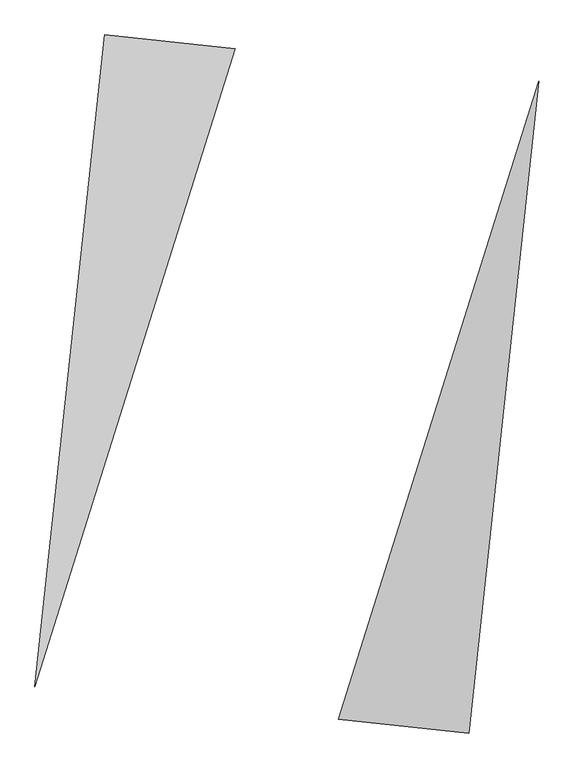
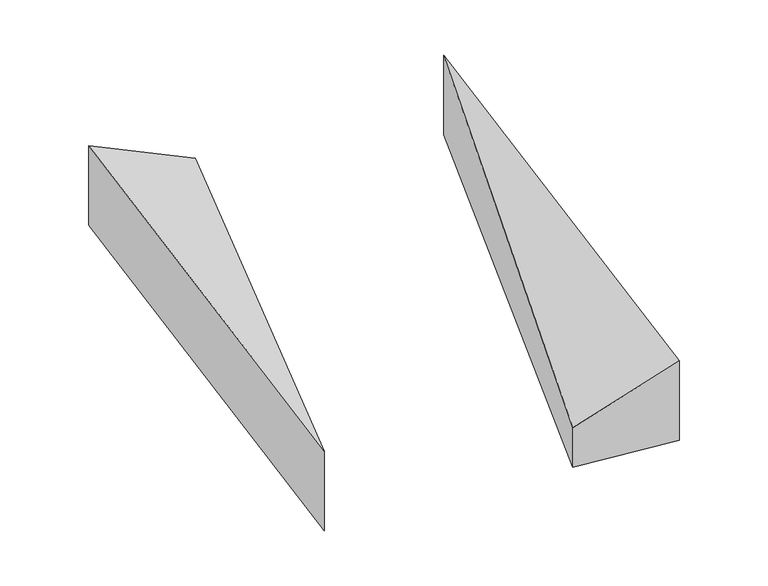
"""IFC4 building model written with IfcOpenShell, lengths in millimetres: proxy geometry."""

from ifc_helpers import new_model, si_unit, origin, place, context, project, spatial, faceted_brep, source, transform, mapped, element, save


def generic_models_47285023(model_context):
    return source(origin(), model_context, "Body", "Brep", [
        faceted_brep([(-475.8479522, 3068.1539607, 0.0), (-1669.0189369, 3195.993709, 0.0), (-1669.0189369, 3195.993709, 1000.0), (-475.8479522, 3068.1539607, 500.0), (-2308.2176787, -2769.8612145, 0.0), (-2308.2176787, -2769.8612145, 1000.0)], [[[0, 1, 2, 3]], [[1, 4, 5, 2]], [[4, 0, 3, 5]], [[3, 2, 5]], [[0, 4, 1]]]),
        faceted_brep([(1669.0189369, -3195.993709, 0.0), (2308.2176787, 2769.8612145, 0.0), (2308.2176787, 2769.8612145, 1000.0), (1669.0189369, -3195.993709, 1000.0), (475.8479522, -3068.1539607, 0.0), (475.8479522, -3068.1539607, 500.0)], [[[0, 1, 2, 3]], [[1, 4, 5, 2]], [[4, 0, 3, 5]], [[2, 5, 3]], [[0, 4, 1]]]),
    ])


if __name__ == "__main__":
    model = new_model("IFC4")
    model_context = context("Model", 3, world=origin())
    ifc_project = project(units=[si_unit("LENGTHUNIT", "METRE", prefix="MILLI")], contexts=[model_context])
    site = spatial("IfcSite", under=ifc_project)
    building = spatial("IfcBuilding", under=site)
    placement = place(None, origin())
    generic_models_shape = generic_models_47285023(model_context)
    element("IfcBuildingElementProxy", 1, Name="Generic Models", at=placement, inside=building, context=model_context, shape_type="MappedRepresentation", body=[
        mapped(generic_models_shape, transform((0.0, 0.0, 0.0), x_axis=(1.0, 0.0, 0.0), y_axis=(0.0, 1.0, 0.0), z_axis=(0.0, 0.0, 1.0))),
    ])
    save(model, "model.ifc")
